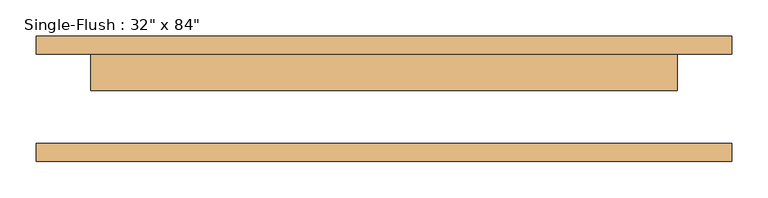
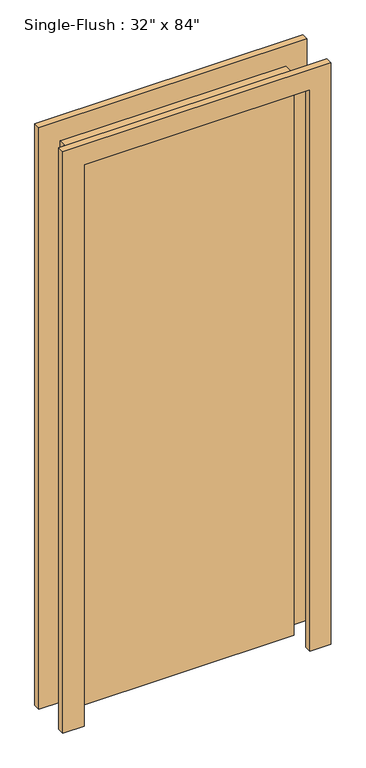
"""IFC4 building model written with IfcOpenShell, lengths in millimetres: door geometry."""

from ifc_helpers import new_model, si_unit, frame, origin, origin_with_axes, place, context, project, spatial, polyline, outline, extrude, source, transform, mapped, element, save


def door_8a652669(model_context):
    return source(origin(), model_context, "Body", "SweptSolid", [
        extrude(outline(polyline([(2209.8, -482.6), (0.0, -482.6), (0.0, -406.4), (2133.6, -406.4), (2133.6, 406.4), (0.0, 406.4), (0.0, 482.6), (2209.8, 482.6), (2209.8, -482.6)])), frame((0.0, 61.9125, 0.0), z_axis=(0.0, 1.0, 0.0), x_axis=(0.0, 0.0, 1.0)), (0.0, 0.0, 1.0), 25.4),
        extrude(outline(polyline([(2209.8, 482.6), (2209.8, -482.6), (0.0, -482.6), (0.0, -406.4), (2133.6, -406.4), (2133.6, 406.4), (0.0, 406.4), (0.0, 482.6), (2209.8, 482.6)])), frame((0.0, -87.3125, 0.0), z_axis=(0.0, 1.0, 0.0), x_axis=(0.0, 0.0, 1.0)), (0.0, 0.0, 1.0), 25.4),
        extrude(outline(polyline([(406.4, 11.1125), (-406.4, 11.1125), (-406.4, 61.9125), (406.4, 61.9125), (406.4, 11.1125)])), origin_with_axes(), (0.0, 0.0, 1.0), 2133.6),
    ])


if __name__ == "__main__":
    model = new_model("IFC4")
    model_context = context("Model", 3, world=origin())
    ifc_project = project(units=[si_unit("LENGTHUNIT", "METRE", prefix="MILLI")], contexts=[model_context])
    site = spatial("IfcSite", under=ifc_project)
    building = spatial("IfcBuilding", under=site)
    placement = place(None, origin())
    door_shape = door_8a652669(model_context)
    element("IfcDoor", 1, ObjectType="Single-Flush : 32\" x 84\"", at=placement, inside=building, context=model_context, shape_type="MappedRepresentation", body=[
        mapped(door_shape, transform((0.0, 0.0, 0.0), x_axis=(1.0, 0.0, 0.0), y_axis=(0.0, 1.0, 0.0), z_axis=(0.0, 0.0, 1.0))),
    ])
    save(model, "model.ifc")
